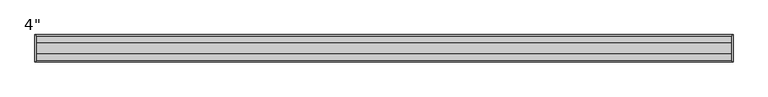
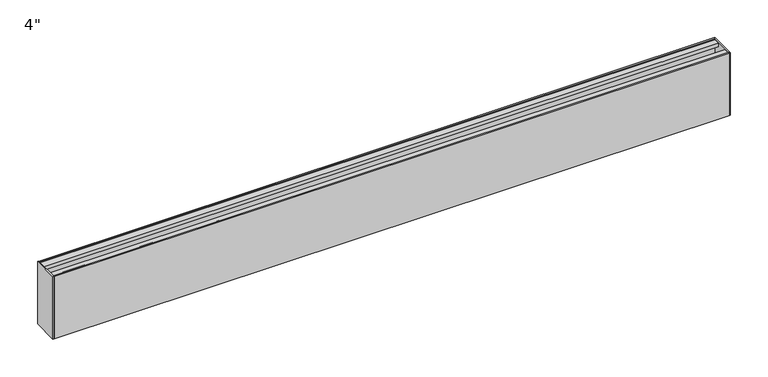
"""IFC4 building model written with IfcOpenShell, lengths in millimetres: proxy geometry."""

from ifc_helpers import new_model, si_unit, frame, origin, origin_with_axes, place, context, project, spatial, polyline, outline, extrude, source, transform, mapped, element, save


def proxy_419a3459(model_context):
    return source(origin(), model_context, "Body", "SweptSolid", [
        extrude(outline(polyline([(20.5, 101.6), (20.5, 0.0), (-20.5, 0.0), (-20.5, 101.6), (-18.5, 101.6), (-18.5, 99.85), (-8.5, 99.85), (-8.5, 94.2), (-9.5, 94.2), (-13.15, 97.85), (-18.5, 97.85), (-18.5, 74.45), (18.5, 74.45), (18.5, 97.85), (13.15, 97.85), (9.5, 94.2), (8.5, 94.2), (8.5, 99.85), (18.5, 99.85), (18.5, 101.6), (20.5, 101.6)]), holes=[polyline([(18.5, 72.45), (-18.5, 72.45), (-18.5, 2.0), (18.5, 2.0), (18.5, 72.45)])]), frame((1.651, 0.0, 0.0), z_axis=(1.0, 0.0, 0.0), x_axis=(0.0, 1.0, 0.0)), (0.0, 0.0, 1.0), 1038.098),
        extrude(outline(polyline([(0.0, -20.5), (0.0, 20.5), (1.651, 20.5), (1.651, -20.5), (0.0, -20.5)])), origin_with_axes(), (0.0, 0.0, 1.0), 101.6),
        extrude(outline(polyline([(1041.4, -20.5), (1039.749, -20.5), (1039.749, 20.5), (1041.4, 20.5), (1041.4, -20.5)])), origin_with_axes(), (0.0, 0.0, 1.0), 101.6),
    ])


if __name__ == "__main__":
    model = new_model("IFC4")
    model_context = context("Model", 3, world=origin())
    ifc_project = project(units=[si_unit("LENGTHUNIT", "METRE", prefix="MILLI")], contexts=[model_context])
    site = spatial("IfcSite", under=ifc_project)
    building = spatial("IfcBuilding", under=site)
    placement = place(None, origin())
    proxy_shape = proxy_419a3459(model_context)
    element("IfcBuildingElementProxy", 1, Name="4\"", ObjectType="4\"", at=placement, inside=building, context=model_context, shape_type="MappedRepresentation", body=[
        mapped(proxy_shape, transform((0.0, 0.0, 0.0), x_axis=(1.0, 0.0, 0.0), y_axis=(0.0, 1.0, 0.0), z_axis=(0.0, 0.0, 1.0))),
    ])
    save(model, "model.ifc")
